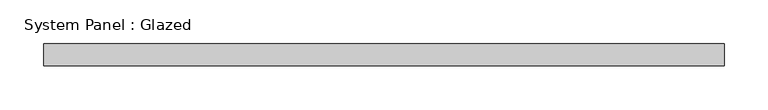
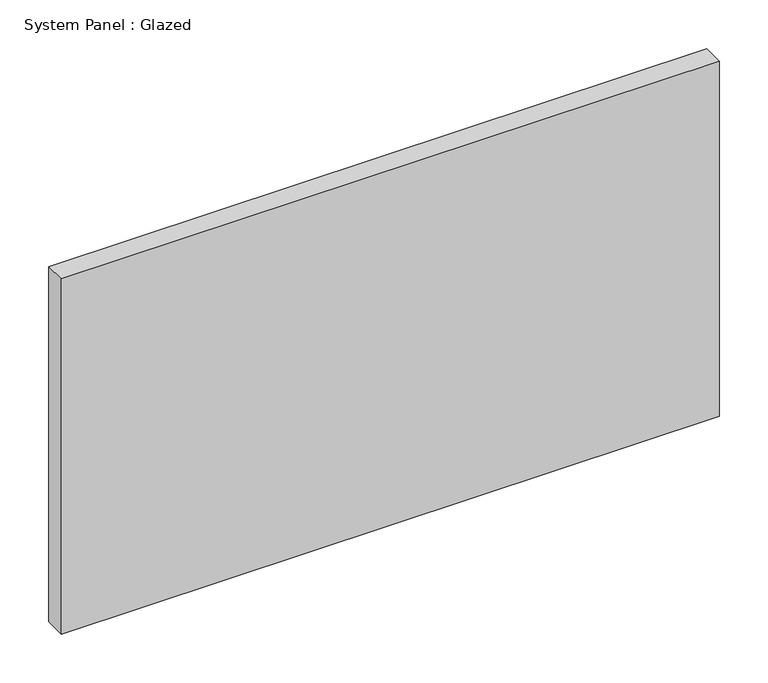
"""IFC4 building model written with IfcOpenShell, lengths in millimetres: plate geometry, System Panel : Glazed."""

from ifc_helpers import new_model, si_unit, origin, origin_with_axes, place, context, project, spatial, polyline, outline, extrude, source, transform, mapped, element, save


def system_panel_glazed_f042379e(model_context):
    return source(origin(), model_context, "Body", "SweptSolid", [
        extrude(outline(polyline([(389.6684567, -12.7), (-389.6684567, -12.7), (-389.6684567, 12.7), (389.6684567, 12.7), (389.6684567, -12.7)])), origin_with_axes(), (0.0, 0.0, 1.0), 444.5),
    ])


if __name__ == "__main__":
    model = new_model("IFC4")
    model_context = context("Model", 3, world=origin())
    ifc_project = project(units=[si_unit("LENGTHUNIT", "METRE", prefix="MILLI")], contexts=[model_context])
    site = spatial("IfcSite", under=ifc_project)
    building = spatial("IfcBuilding", under=site)
    placement = place(None, origin())
    system_panel_glazed_shape = system_panel_glazed_f042379e(model_context)
    element("IfcPlate", 1, ObjectType="System Panel : Glazed", at=placement, inside=building, context=model_context, shape_type="MappedRepresentation", body=[
        mapped(system_panel_glazed_shape, transform((0.0, 0.0, 0.0), x_axis=(1.0, 0.0, 0.0), y_axis=(0.0, 1.0, 0.0), z_axis=(0.0, 0.0, 1.0))),
    ])
    save(model, "model.ifc")
